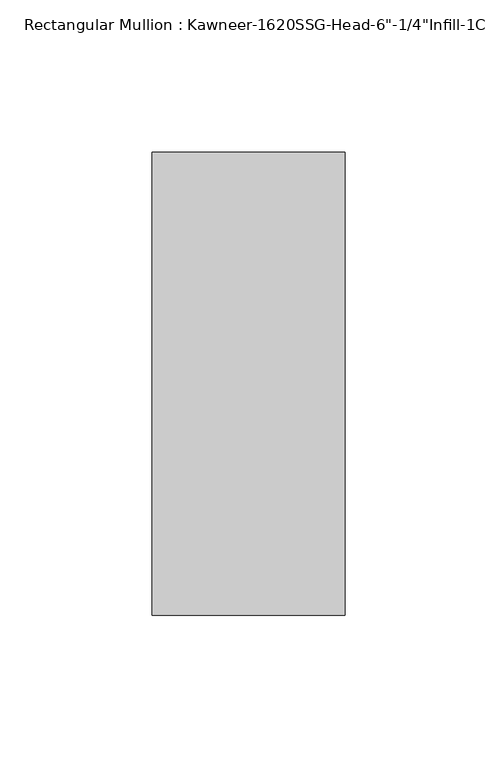
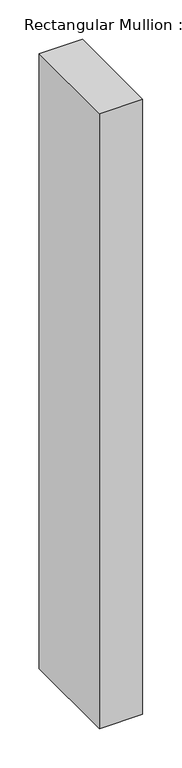
"""IFC4 building model written with IfcOpenShell, lengths in millimetres: member geometry."""

from ifc_helpers import new_model, si_unit, frame, origin, place, context, project, spatial, polyline, outline, extrude, source, transform, mapped, element, save


def member_4c91d41e(model_context):
    return source(origin(), model_context, "Body", "SweptSolid", [
        extrude(outline(polyline([(-63.5, 28.575), (0.0, 28.575), (0.0, -123.825), (-63.5, -123.825), (-63.5, 28.575)])), frame((0.0, 0.0, -951.6317631), z_axis=(0.0, 0.0, 1.0), x_axis=(1.0, 0.0, 0.0)), (0.0, 0.0, 1.0), 951.6317631),
    ])


if __name__ == "__main__":
    model = new_model("IFC4")
    model_context = context("Model", 3, world=origin())
    ifc_project = project(units=[si_unit("LENGTHUNIT", "METRE", prefix="MILLI")], contexts=[model_context])
    site = spatial("IfcSite", under=ifc_project)
    building = spatial("IfcBuilding", under=site)
    placement = place(None, origin())
    member_shape = member_4c91d41e(model_context)
    element("IfcMember", 1, ObjectType="Rectangular Mullion : Kawneer-1620SSG-Head-6\"-1/4\"Infill-1C", at=placement, inside=building, context=model_context, shape_type="MappedRepresentation", body=[
        mapped(member_shape, transform((0.0, 0.0, 0.0), x_axis=(1.0, 0.0, 0.0), y_axis=(0.0, 1.0, 0.0), z_axis=(0.0, 0.0, 1.0))),
    ])
    save(model, "model.ifc")
